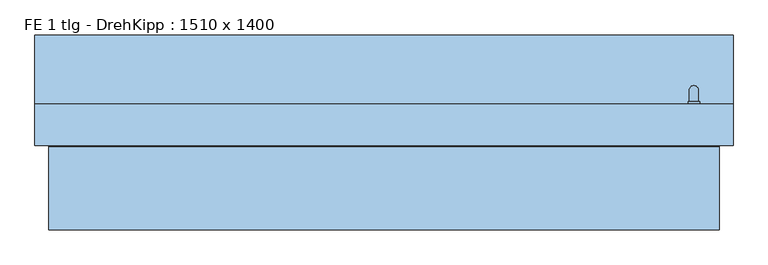
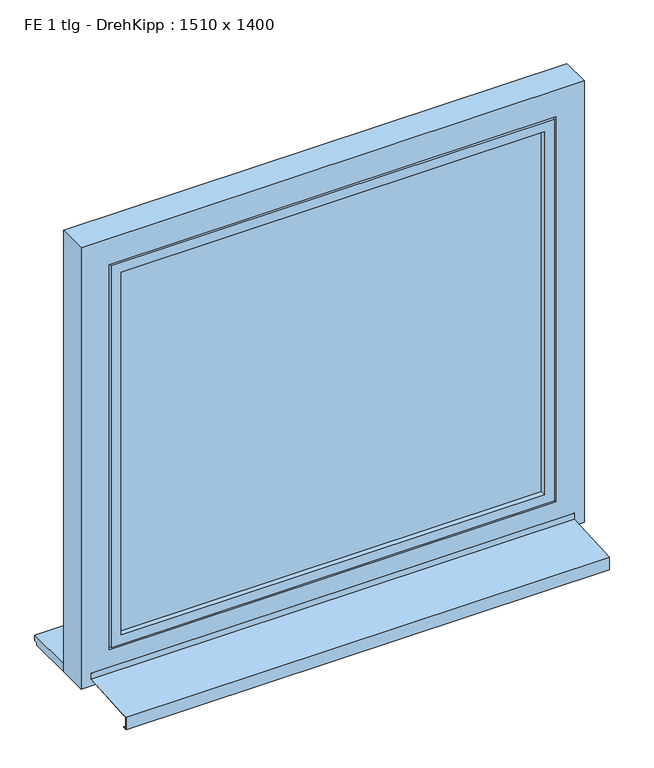
"""IFC4 building model written with IfcOpenShell, lengths in millimetres: window geometry, FE 1 tlg - DrehKipp : 1510 x 1400."""

from ifc_helpers import new_model, si_unit, frame, origin, place, context, project, spatial, polyline, circle_curve, ellipse_curve, outline, extrude, faceted_brep, source, transform, mapped, element, save
from ifc_brep_helpers import plane_surface, cylinder_surface, advanced_brep


def fe_1_tlg_drehkipp_1510_x_1400_c0a45d1e(model_context):
    return source(origin(), model_context, "Body", "SolidModel", [
        advanced_brep(
        [(657.5, 50.0, 1572.5), (657.5, 50.0, 1555.0), (657.5, 50.0, 1537.5), (682.5, 50.0, 1537.5), (682.5, 50.0, 1555.0), (682.5, 50.0, 1572.5), (680.0, 80.0, 1555.0), (660.0, 80.0, 1555.0), (660.0, 56.0, 1555.0), (680.0, 56.0, 1555.0), (680.0, 80.0, 1435.0), (660.0, 80.0, 1435.0), (657.5, 56.0, 1572.5), (682.5, 56.0, 1572.5), (682.5, 56.0, 1555.0), (682.5, 56.0, 1537.5), (657.5, 56.0, 1537.5), (657.5, 56.0, 1555.0)],
        [
            (0, 1),
            (1, 2),
            (2, 3, circle_curve(frame((670.0, 50.0, 1537.5), z_axis=(0.0, -1.0, 0.0), x_axis=(-1.0, 0.0, 0.0)), 12.5)),
            (3, 4),
            (4, 5),
            (5, 0, circle_curve(frame((670.0, 50.0, 1572.5), z_axis=(0.0, -1.0, 0.0), x_axis=(-1.0, 0.0, 0.0)), 12.5)),
            (6, 7, ellipse_curve(frame((670.0, 80.0, 1555.0), z_axis=(0.0, -0.7071067811865498, 0.7071067811865451), x_axis=(0.0, -0.7071067811865452, -0.7071067811865497)), 14.1421356, 10.0)),
            (7, 8),
            (8, 9, circle_curve(frame((670.0, 56.0, 1555.0), z_axis=(0.0, 1.0, 0.0), x_axis=(-1.0, 0.0, 0.0)), 10.0)),
            (9, 6),
            (7, 6, ellipse_curve(frame((670.0, 80.0, 1555.0), z_axis=(0.0, -0.7071067811865498, 0.7071067811865451), x_axis=(0.0, -0.7071067811865452, -0.7071067811865497)), 14.1421356, 10.0)),
            (9, 8, circle_curve(frame((670.0, 56.0, 1555.0), z_axis=(0.0, 1.0, 0.0), x_axis=(-1.0, 0.0, 0.0)), 10.0)),
            (10, 11, circle_curve(frame((670.0, 80.0, 1435.0), z_axis=(0.0, 0.0, -1.0), x_axis=(-1.0, 0.0, 0.0)), 10.0)),
            (11, 10, circle_curve(frame((670.0, 80.0, 1435.0), z_axis=(0.0, 0.0, -1.0), x_axis=(-1.0, 0.0, 0.0)), 10.0)),
            (6, 10),
            (11, 7),
            (12, 13, circle_curve(frame((670.0, 56.0, 1572.5), z_axis=(0.0, 1.0, 0.0), x_axis=(-1.0, 0.0, 0.0)), 12.5)),
            (13, 14),
            (14, 15),
            (15, 16, circle_curve(frame((670.0, 56.0, 1537.5), z_axis=(0.0, 1.0, 0.0), x_axis=(-1.0, 0.0, 0.0)), 12.5)),
            (16, 17),
            (17, 12),
            (12, 0),
            (5, 13),
            (4, 14),
            (3, 15),
            (2, 16),
            (1, 17),
        ],
        [
            plane_surface(frame((670.0, 50.0, 1555.0), z_axis=(0.0, -1.0, 0.0), x_axis=(-1.0, 0.0, 0.0))),
            cylinder_surface(frame((670.0, 50.0, 1555.0), z_axis=(0.0, -1.0, 0.0), x_axis=(-1.0, 0.0, 0.0)), 10.0),
            plane_surface(frame((670.0, 80.0, 1435.0), z_axis=(0.0, 0.0, -1.0), x_axis=(-1.0, 0.0, 0.0))),
            cylinder_surface(frame((670.0, 80.0, 1555.0), z_axis=(0.0, 0.0, 1.0), x_axis=(-1.0, 0.0, 0.0)), 10.0),
            plane_surface(frame((657.5, 56.0, 1572.5), z_axis=(0.0, 1.0, 0.0), x_axis=(0.0, 0.0, 1.0))),
            cylinder_surface(frame((670.0, 50.0, 1572.5), z_axis=(0.0, 1.0, 0.0), x_axis=(-1.0, 0.0, 0.0)), 12.5),
            plane_surface(frame((682.5, 56.0, 1572.5), z_axis=(1.0, 0.0, 0.0), x_axis=(0.0, -1.0, 0.0))),
            plane_surface(frame((682.5, 56.0, 1555.0), z_axis=(1.0, 0.0, 0.0), x_axis=(0.0, -1.0, 0.0))),
            cylinder_surface(frame((670.0, 50.0, 1537.5), z_axis=(0.0, 1.0, 0.0), x_axis=(-1.0, 0.0, 0.0)), 12.5),
            plane_surface(frame((657.5, 56.0, 1537.5), z_axis=(-1.0, 0.0, 0.0), x_axis=(0.0, -1.0, 0.0))),
            plane_surface(frame((657.5, 56.0, 1555.0), z_axis=(-1.0, 0.0, 0.0), x_axis=(0.0, -1.0, 0.0))),
        ],
        [
            (0, [[1, 2, 3, 4, 5, 6]]),
            (1, [[7, 8, 9, 10]]),
            (1, [[11, -10, 12, -8]]),
            (2, [[13, 14]]),
            (3, [[-7, 15, -14, 16]]),
            (3, [[-11, -16, -13, -15]]),
            (4, [[17, 18, 19, 20, 21, 22], [-9, -12]]),
            (5, [[-17, 23, -6, 24]]),
            (6, [[-18, -24, -5, 25]]),
            (7, [[-19, -25, -4, 26]]),
            (8, [[-20, -26, -3, 27]]),
            (9, [[-21, -27, -2, 28]]),
            (10, [[-22, -28, -1, -23]]),
        ],
    ),
        faceted_brep([(-635.0, 50.0, 2130.0), (-635.0, -40.0, 2130.0), (-635.0, -40.0, 980.0), (-635.0, 50.0, 980.0), (-665.0, -40.0, 950.0), (665.0, -40.0, 950.0), (665.0, -40.0, 2160.0), (-665.0, -40.0, 2160.0), (635.0, -40.0, 2130.0), (635.0, -40.0, 980.0), (635.0, 50.0, 980.0), (-705.0, 50.0, 2200.0), (705.0, 50.0, 2200.0), (705.0, 50.0, 910.0), (-705.0, 50.0, 910.0), (635.0, 50.0, 2130.0), (-705.0, 35.0, 2200.0), (-705.0, 35.0, 910.0), (705.0, 35.0, 910.0), (705.0, 35.0, 2200.0), (-690.0, 35.0, 2185.0), (690.0, 35.0, 2185.0), (690.0, 35.0, 925.0), (-690.0, 35.0, 925.0), (-690.0, 5.0, 2185.0), (-690.0, 5.0, 925.0), (690.0, 5.0, 925.0), (690.0, 5.0, 2185.0), (-680.0, 5.0, 2175.0), (680.0, 5.0, 2175.0), (680.0, 5.0, 935.0), (-680.0, 5.0, 935.0), (-680.0, -25.0, 2175.0), (-680.0, -25.0, 935.0), (680.0, -25.0, 935.0), (680.0, -25.0, 2175.0), (-665.0, -25.0, 2160.0), (665.0, -25.0, 2160.0), (665.0, -25.0, 950.0), (-665.0, -25.0, 950.0)], [[[0, 1, 2, 3]], [[4, 5, 6, 7], [1, 8, 9, 2]], [[3, 2, 9, 10]], [[11, 12, 13, 14], [3, 10, 15, 0]], [[16, 11, 14, 17]], [[17, 14, 13, 18]], [[17, 18, 19, 16], [20, 21, 22, 23]], [[24, 20, 23, 25]], [[25, 23, 22, 26]], [[25, 26, 27, 24], [28, 29, 30, 31]], [[32, 28, 31, 33]], [[33, 31, 30, 34]], [[33, 34, 35, 32], [36, 37, 38, 39]], [[7, 36, 39, 4]], [[4, 39, 38, 5]], [[10, 9, 8, 15]], [[18, 13, 12, 19]], [[26, 22, 21, 27]], [[34, 30, 29, 35]], [[5, 38, 37, 6]], [[15, 8, 1, 0]], [[19, 12, 11, 16]], [[27, 21, 20, 24]], [[35, 29, 28, 32]], [[6, 37, 36, 7]]]),
        extrude(outline(polyline([(-635.0, -25.0), (-635.0, 19.0), (635.0, 19.0), (635.0, -25.0), (-635.0, -25.0)])), frame((0.0, 0.0, 980.0), z_axis=(0.0, 0.0, 1.0), x_axis=(1.0, 0.0, 0.0)), (0.0, 0.0, 1.0), 1150.0),
        faceted_brep([(-725.0, -222.0, 860.6252434), (725.0, -222.0, 860.6252434), (725.0, -200.0, 862.0002434), (725.0, -42.0, 871.8752434), (-725.0, -42.0, 871.8752434), (-725.0, -200.0, 862.0002434), (-725.0, -222.0, 820.6252434), (725.0, -222.0, 820.6252434), (-725.0, -210.0, 820.6252434), (725.0, -210.0, 820.6252434), (-725.0, -210.0, 822.6252434), (725.0, -210.0, 822.6252434), (-725.0, -220.0, 822.6252434), (725.0, -220.0, 822.6252434), (-725.0, -220.0, 858.75), (725.0, -220.0, 858.75), (-725.0, -200.0, 860.0), (-725.0, -40.0, 870.0), (725.0, -40.0, 870.0), (725.0, -200.0, 860.0), (-725.0, -40.0, 890.0), (725.0, -40.0, 890.0), (-725.0, -42.0, 890.0), (725.0, -42.0, 890.0)], [[[0, 1, 2, 3, 4, 5]], [[6, 7, 1, 0]], [[8, 9, 7, 6]], [[10, 11, 9, 8]], [[12, 13, 11, 10]], [[14, 15, 13, 12]], [[16, 17, 18, 19, 15, 14]], [[20, 21, 18, 17]], [[22, 23, 21, 20]], [[4, 3, 23, 22]], [[16, 14, 12, 10, 8, 6, 0, 5]], [[19, 18, 21, 23, 3, 2]], [[5, 4, 22, 20, 17, 16]], [[2, 1, 7, 9, 11, 13, 15, 19]]]),
        faceted_brep([(755.0, -40.0, 850.0), (-755.0, -40.0, 850.0), (-755.0, 50.0, 850.0), (755.0, 50.0, 850.0), (755.0, -40.0, 2250.0), (755.0, 50.0, 2250.0), (-755.0, 50.0, 2250.0), (710.0, 50.0, 2205.0), (-710.0, 50.0, 2205.0), (-710.0, 50.0, 905.0), (710.0, 50.0, 905.0), (-755.0, -40.0, 2250.0), (670.0, -40.0, 945.0), (-670.0, -40.0, 945.0), (-670.0, -40.0, 2165.0), (670.0, -40.0, 2165.0), (670.0, -25.0, 2165.0), (670.0, -25.0, 945.0), (-670.0, -25.0, 945.0), (-670.0, -25.0, 2165.0), (710.0, 35.0, 2205.0), (710.0, 35.0, 905.0), (-710.0, 35.0, 905.0), (-710.0, 35.0, 2205.0), (695.0, 35.0, 2190.0), (-695.0, 35.0, 2190.0), (-695.0, 35.0, 920.0), (695.0, 35.0, 920.0), (695.0, 5.0, 920.0), (-695.0, 5.0, 920.0), (-695.0, 5.0, 2190.0), (695.0, 5.0, 2190.0), (685.0, 5.0, 2180.0), (-685.0, 5.0, 2180.0), (-685.0, 5.0, 930.0), (685.0, 5.0, 930.0), (685.0, -25.0, 930.0), (-685.0, -25.0, 930.0), (-685.0, -25.0, 2180.0), (685.0, -25.0, 2180.0)], [[[0, 1, 2, 3]], [[4, 0, 3, 5]], [[5, 3, 2, 6], [7, 8, 9, 10]], [[6, 2, 1, 11]], [[11, 1, 0, 4], [12, 13, 14, 15]], [[12, 15, 16, 17]], [[18, 19, 14, 13]], [[17, 18, 13, 12]], [[20, 7, 10, 21]], [[10, 9, 22, 21]], [[9, 8, 23, 22]], [[21, 22, 23, 20], [24, 25, 26, 27]], [[28, 29, 30, 31], [32, 33, 34, 35]], [[31, 24, 27, 28]], [[27, 26, 29, 28]], [[36, 37, 38, 39], [16, 19, 18, 17]], [[39, 32, 35, 36]], [[35, 34, 37, 36]], [[26, 25, 30, 29]], [[34, 33, 38, 37]], [[4, 5, 6, 11]], [[20, 23, 8, 7]], [[31, 30, 25, 24]], [[39, 38, 33, 32]], [[15, 14, 19, 16]]]),
        extrude(outline(polyline([(200.0, 875.0), (200.0, 857.0), (190.0, 857.0), (190.0, 850.0), (50.0, 850.0), (50.0, 875.0), (200.0, 875.0)])), frame((-755.0, 0.0, 0.0), z_axis=(1.0, 0.0, 0.0), x_axis=(0.0, 1.0, 0.0)), (0.0, 0.0, 1.0), 1510.0),
    ])


if __name__ == "__main__":
    model = new_model("IFC4")
    model_context = context("Model", 3, world=origin())
    ifc_project = project(units=[si_unit("LENGTHUNIT", "METRE", prefix="MILLI")], contexts=[model_context])
    site = spatial("IfcSite", under=ifc_project)
    building = spatial("IfcBuilding", under=site)
    placement = place(None, origin())
    fe_1_tlg_drehkipp_1510_x_1400_shape = fe_1_tlg_drehkipp_1510_x_1400_c0a45d1e(model_context)
    element("IfcWindow", 1, ObjectType="FE 1 tlg - DrehKipp : 1510 x 1400", at=placement, inside=building, context=model_context, shape_type="MappedRepresentation", body=[
        mapped(fe_1_tlg_drehkipp_1510_x_1400_shape, transform((0.0, 0.0, 0.0), x_axis=(1.0, 0.0, 0.0), y_axis=(0.0, 1.0, 0.0), z_axis=(0.0, 0.0, 1.0))),
    ])
    save(model, "model.ifc")
